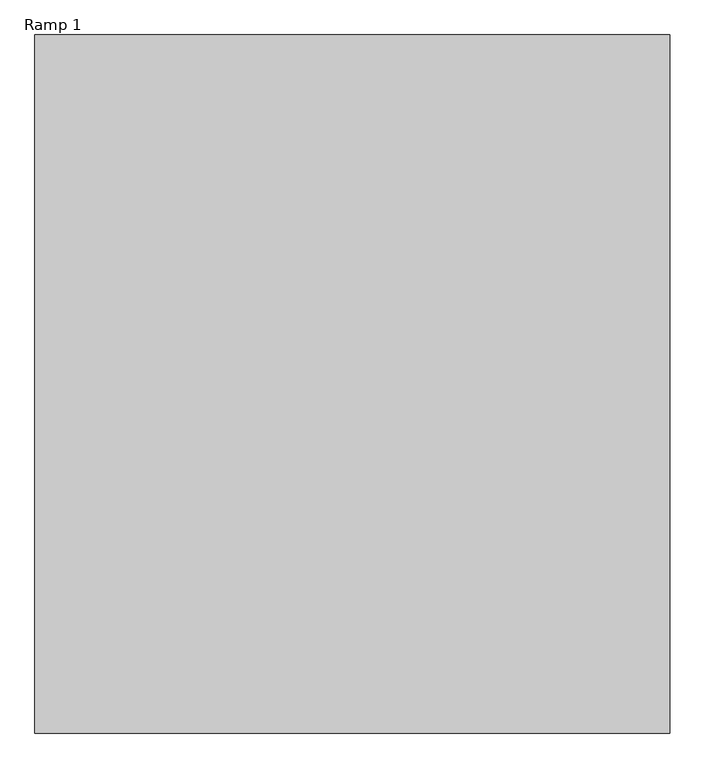
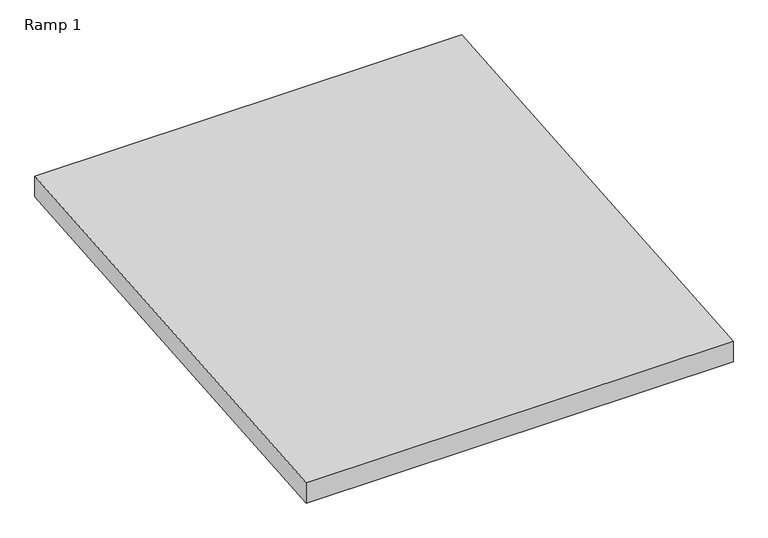
"""IFC4 building model written with IfcOpenShell, lengths in millimetres: ramp geometry, Ramp 1."""

import ifcopenshell
import ifcopenshell.guid

model = None  # the IFC model being written
_history = None  # IfcOwnerHistory: only IFC2X3 demands one
_inside = {}  # id of a spatial element -> (the spatial element, [elements in it])
_under = {}  # id of a project, library or spatial element -> (it, [spatial elements below it])
_declared = {}  # id of a project -> (the project, [libraries it declares])
_typed = {}  # id of a type object -> (the type object, [elements of that type])
_made_of = {}  # id of a material, layer set ... -> (it, [elements and type objects made of it])


def new_model(schema):
    """Start an empty IFC model of exactly this schema.

    Asked for "IFC4X3", IfcOpenShell would pick the latest addendum, in which some entities
    have other attributes; the version numbers below select the first issue.
    IFC2X3 requires an IfcOwnerHistory on every rooted entity: one is made here for all.
    """
    global model, _history
    if schema == "IFC4X3":
        model = ifcopenshell.file(schema_version=(4, 3, 0, 0))
    else:
        model = ifcopenshell.file(schema=schema)
    _inside.clear()
    _under.clear()
    _declared.clear()
    _typed.clear()
    _made_of.clear()
    _history = None
    if model.schema == "IFC2X3":
        org = make("IfcOrganization", Name="unknown")
        user = make(
            "IfcPersonAndOrganization",
            ThePerson=make("IfcPerson", FamilyName="unknown"),
            TheOrganization=org,
        )
        app = make(
            "IfcApplication",
            ApplicationDeveloper=org,
            Version="unknown",
            ApplicationFullName="unknown",
            ApplicationIdentifier="unknown",
        )
        _history = make(
            "IfcOwnerHistory",
            OwningUser=user,
            OwningApplication=app,
            ChangeAction="ADDED",
            CreationDate=0,
        )
    return model


def make(cls, **values):
    """One entity of the class cls with the attributes given. An attribute that is None is left unset."""
    return model.create_entity(
        cls, **{name: value for name, value in values.items() if value is not None}
    )


def rooted(cls, **values):
    """An entity with a GlobalId (a new one), such as an element, a storey or a relation."""
    return make(cls, GlobalId=ifcopenshell.guid.new(), OwnerHistory=_history, **values)


def si_unit(unit_type, name, prefix=None):
    """IfcSIUnit, for example si_unit("LENGTHUNIT", "METRE", prefix="MILLI")."""
    return make("IfcSIUnit", UnitType=unit_type, Prefix=prefix, Name=name)


def assignment(units):
    """IfcUnitAssignment: the units of a project."""
    return None if units is None else make("IfcUnitAssignment", Units=units)


def point(xyz):
    """IfcCartesianPoint."""
    return None if xyz is None else make("IfcCartesianPoint", Coordinates=xyz)


def direction(xyz):
    """IfcDirection."""
    return None if xyz is None else make("IfcDirection", DirectionRatios=xyz)


def frame(location, z_axis=None, x_axis=None):
    """IfcAxis2Placement3D, a coordinate frame: its origin and axes. An axis left out is left unset."""
    return make(
        "IfcAxis2Placement3D",
        Location=point(location),
        Axis=direction(z_axis),
        RefDirection=direction(x_axis),
    )


def origin():
    """The frame at (0, 0, 0) with its axes left unset."""
    return frame((0.0, 0.0, 0.0))


def place(relative_to, where):
    """IfcLocalPlacement: puts the frame where relative to a parent placement (None: the world)."""
    return make(
        "IfcLocalPlacement", PlacementRelTo=relative_to, RelativePlacement=where
    )


def context(
    kind, dimensions, precision=None, world=None, true_north=None, identifier=None
):
    """IfcGeometricRepresentationContext, for example the 3D "Model" context."""
    return make(
        "IfcGeometricRepresentationContext",
        ContextIdentifier=identifier,
        ContextType=kind,
        CoordinateSpaceDimension=dimensions,
        Precision=precision,
        WorldCoordinateSystem=world,
        TrueNorth=true_north,
    )


def project(units=None, contexts=None):
    """IfcProject with its units and contexts."""
    return rooted(
        "IfcProject",
        Name="project",
        RepresentationContexts=contexts,
        UnitsInContext=assignment(units),
    )


def spatial(cls, under=None, at=None, **own):
    """A site, building, storey or space (cls), placed at a placement, below another one or the project."""
    s = rooted(cls, ObjectPlacement=at, **own)
    if under is not None:
        _under.setdefault(under.id(), (under, []))[1].append(s)
    return s


def polyline(points):
    """IfcPolyline through the points."""
    return make("IfcPolyline", Points=[point(p) for p in points])


def outline(outer, holes=None, kind="AREA"):
    """IfcArbitraryClosedProfileDef: a profile drawn as a closed curve; with holes, ...WithVoids."""
    if holes is None:
        return make("IfcArbitraryClosedProfileDef", ProfileType=kind, OuterCurve=outer)
    return make(
        "IfcArbitraryProfileDefWithVoids",
        ProfileType=kind,
        OuterCurve=outer,
        InnerCurves=holes,
    )


def extrude(swept, where, along, depth):
    """IfcExtrudedAreaSolid: the profile swept, set in the frame where, extruded along a direction by depth."""
    return make(
        "IfcExtrudedAreaSolid",
        SweptArea=swept,
        Position=where,
        ExtrudedDirection=direction(along),
        Depth=depth,
    )


def shape(context_of_items, identifier, shape_type, items):
    """IfcShapeRepresentation: the items that make up one representation, for example the "Body"."""
    return make(
        "IfcShapeRepresentation",
        ContextOfItems=context_of_items,
        RepresentationIdentifier=identifier,
        RepresentationType=shape_type,
        Items=items,
    )


def source(mapping_origin, context_of_items, identifier, shape_type, items):
    """IfcRepresentationMap: a shape defined once, which mapped items show again and again."""
    return make(
        "IfcRepresentationMap",
        MappingOrigin=mapping_origin,
        MappedRepresentation=shape(context_of_items, identifier, shape_type, items),
    )


def transform(
    local_origin,
    x_axis=None,
    y_axis=None,
    z_axis=None,
    scale=None,
    scale2=None,
    scale3=None,
    uniform=True,
):
    """IfcCartesianTransformationOperator3D, or its non-uniform kind. x_axis, y_axis, z_axis: its Axis1, 2, 3."""
    if uniform:
        return make(
            "IfcCartesianTransformationOperator3D",
            Axis1=direction(x_axis),
            Axis2=direction(y_axis),
            LocalOrigin=point(local_origin),
            Scale=scale,
            Axis3=direction(z_axis),
        )
    return make(
        "IfcCartesianTransformationOperator3DnonUniform",
        Axis1=direction(x_axis),
        Axis2=direction(y_axis),
        LocalOrigin=point(local_origin),
        Scale=scale,
        Axis3=direction(z_axis),
        Scale2=scale2,
        Scale3=scale3,
    )


def mapped(mapping_source, mapping_target):
    """IfcMappedItem: shows the shape of a source again, moved by a transform."""
    return make(
        "IfcMappedItem", MappingSource=mapping_source, MappingTarget=mapping_target
    )


def made_of(thing, what):
    """Note that an element or type object is made of a material, layer set ...; save() writes the relation."""
    if what is not None:
        _made_of.setdefault(what.id(), (what, []))[1].append(thing)
    return thing


def element(
    cls,
    number,
    at=None,
    inside=None,
    cuts=None,
    type_object=None,
    material=None,
    context=None,
    identifier="Body",
    shape_type=None,
    held_by="IfcProductDefinitionShape",
    body=None,
    shapes=None,
    **own,
):
    """One element of the class cls, such as IfcWall. Its Tag is "e" and its number.

    at: its placement. inside: the storey or other place that contains it. cuts: it is an
    opening in that element (IfcRelVoidsElement). A single representation is given by context,
    identifier, shape_type and body (its items); several are given by shapes. held_by: the class
    of the entity that holds the representations. save() writes the other relations.
    """
    e = rooted(cls, Tag="e%d" % number, ObjectPlacement=at, **own)
    if body is not None:
        shapes = [shape(context, identifier, shape_type, body)]
    if shapes is not None:
        e.Representation = make(held_by, Representations=shapes)
    if inside is not None:
        _inside.setdefault(inside.id(), (inside, []))[1].append(e)
    if cuts is not None:
        rooted(
            "IfcRelVoidsElement", RelatingBuildingElement=cuts, RelatedOpeningElement=e
        )
    if type_object is not None:
        _typed.setdefault(type_object.id(), (type_object, []))[1].append(e)
    return made_of(e, material)


def aggregate(whole, parts):
    """IfcRelAggregates: a whole, such as a stair, and the parts it consists of."""
    return rooted("IfcRelAggregates", RelatingObject=whole, RelatedObjects=parts)


def save(model, path):
    """Write the relations noted so far, then the file.

    IfcRelAggregates (storeys below a building ...), IfcRelContainedInSpatialStructure (elements
    in a storey), IfcRelDefinesByType, IfcRelAssociatesMaterial and IfcRelDeclares: one each for
    every whole, place, type object, material and project.
    """
    for whole, parts in _under.values():
        aggregate(whole, parts)
    for where, things in _inside.values():
        rooted(
            "IfcRelContainedInSpatialStructure",
            RelatedElements=things,
            RelatingStructure=where,
        )
    for kind, things in _typed.values():
        rooted("IfcRelDefinesByType", RelatedObjects=things, RelatingType=kind)
    for what, things in _made_of.values():
        rooted("IfcRelAssociatesMaterial", RelatedObjects=things, RelatingMaterial=what)
    for by, libraries in _declared.values():
        rooted("IfcRelDeclares", RelatingContext=by, RelatedDefinitions=libraries)
    model.write(path)


def ramp_1_6fc3fa29(model_context):
    return source(origin(), model_context, "Body", "SweptSolid", [
        extrude(outline(polyline([(174957.4898046, 495.3), (176633.8898046, 635.0), (176633.8898046, 558.5358744), (174957.4898046, 418.8358744), (174957.4898046, 495.3)])), frame((-234210.0265136, 0.0, 0.0), z_axis=(1.0, 0.0, 0.0), x_axis=(0.0, 1.0, 0.0)), (0.0, 0.0, 1.0), 1524.0),
    ])


if __name__ == "__main__":
    model = new_model("IFC4")
    model_context = context("Model", 3, world=origin())
    ifc_project = project(units=[si_unit("LENGTHUNIT", "METRE", prefix="MILLI")], contexts=[model_context])
    site = spatial("IfcSite", under=ifc_project)
    building = spatial("IfcBuilding", under=site)
    placement = place(None, origin())
    ramp_1_shape = ramp_1_6fc3fa29(model_context)
    element("IfcRamp", 1, ObjectType="Ramp 1", at=placement, inside=building, context=model_context, shape_type="MappedRepresentation", body=[
        mapped(ramp_1_shape, transform((0.0, 0.0, 0.0), x_axis=(1.0, 0.0, 0.0), y_axis=(0.0, 1.0, 0.0), z_axis=(0.0, 0.0, 1.0))),
    ])
    save(model, "model.ifc")
